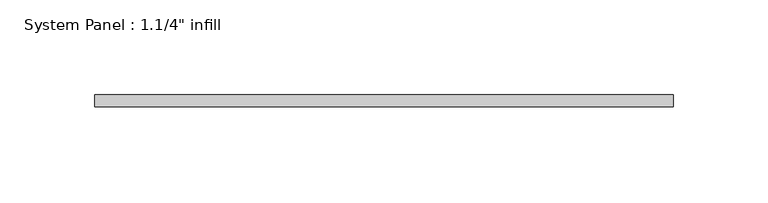
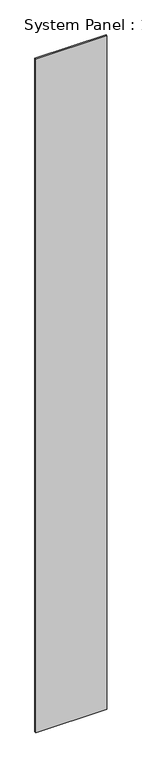
"""IFC4 building model written with IfcOpenShell, lengths in millimetres: plate geometry."""

from ifc_helpers import new_model, si_unit, origin, origin_with_axes, place, context, project, spatial, polyline, outline, extrude, source, transform, mapped, element, save


def plate_0c27c4d9(model_context):
    return source(origin(), model_context, "Body", "SweptSolid", [
        extrude(outline(polyline([(152.3672185, -0.0992187), (-152.3672185, -0.0992187), (-152.3672185, 6.2507813), (152.3672185, 6.2507813), (152.3672185, -0.0992187)])), origin_with_axes(), (0.0, 0.0, 1.0), 3048.0),
    ])


if __name__ == "__main__":
    model = new_model("IFC4")
    model_context = context("Model", 3, world=origin())
    ifc_project = project(units=[si_unit("LENGTHUNIT", "METRE", prefix="MILLI")], contexts=[model_context])
    site = spatial("IfcSite", under=ifc_project)
    building = spatial("IfcBuilding", under=site)
    placement = place(None, origin())
    plate_shape = plate_0c27c4d9(model_context)
    element("IfcPlate", 1, ObjectType="System Panel : 1.1/4\" infill", at=placement, inside=building, context=model_context, shape_type="MappedRepresentation", body=[
        mapped(plate_shape, transform((0.0, 0.0, 0.0), x_axis=(1.0, 0.0, 0.0), y_axis=(0.0, 1.0, 0.0), z_axis=(0.0, 0.0, 1.0))),
    ])
    save(model, "model.ifc")
